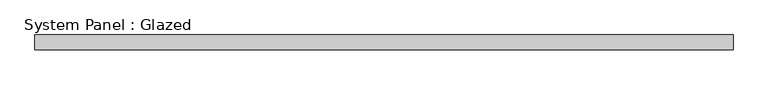
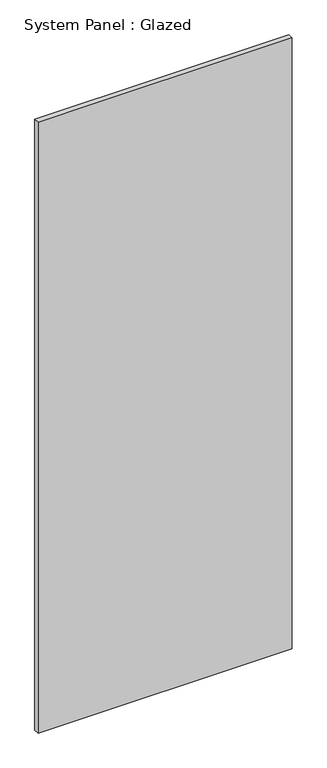
"""IFC4 building model written with IfcOpenShell, lengths in millimetres: plate geometry, System Panel : Glazed."""

from ifc_helpers import new_model, si_unit, origin, origin_with_axes, place, context, project, spatial, polyline, outline, extrude, source, transform, mapped, element, save


def system_panel_glazed_cad9acb9(model_context):
    return source(origin(), model_context, "Body", "SweptSolid", [
        extrude(outline(polyline([(600.075, 19.05), (-600.075, 19.05), (-600.075, 44.45), (600.075, 44.45), (600.075, 19.05)])), origin_with_axes(), (0.0, 0.0, 1.0), 3048.0),
    ])


if __name__ == "__main__":
    model = new_model("IFC4")
    model_context = context("Model", 3, world=origin())
    ifc_project = project(units=[si_unit("LENGTHUNIT", "METRE", prefix="MILLI")], contexts=[model_context])
    site = spatial("IfcSite", under=ifc_project)
    building = spatial("IfcBuilding", under=site)
    placement = place(None, origin())
    system_panel_glazed_shape = system_panel_glazed_cad9acb9(model_context)
    element("IfcPlate", 1, ObjectType="System Panel : Glazed", at=placement, inside=building, context=model_context, shape_type="MappedRepresentation", body=[
        mapped(system_panel_glazed_shape, transform((0.0, 0.0, 0.0), x_axis=(1.0, 0.0, 0.0), y_axis=(0.0, 1.0, 0.0), z_axis=(0.0, 0.0, 1.0))),
    ])
    save(model, "model.ifc")
